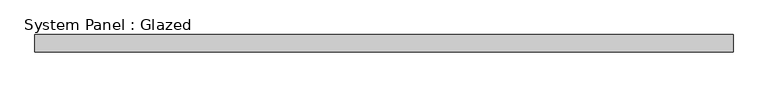
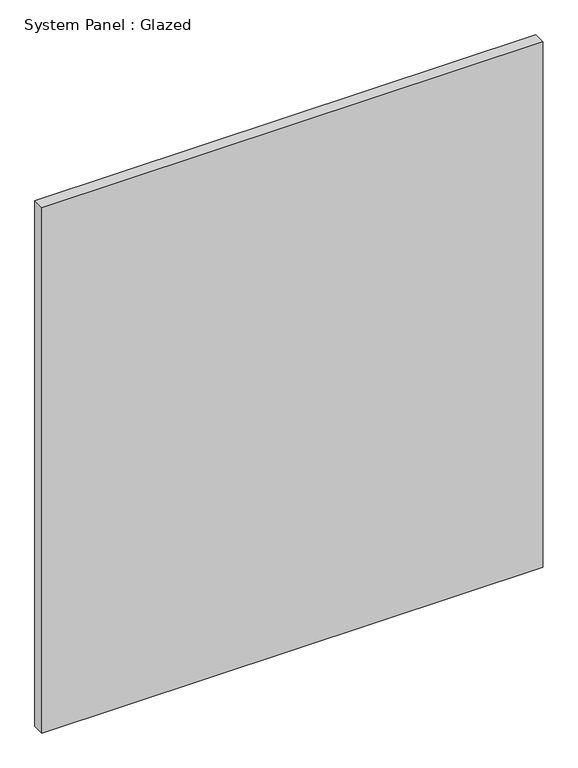
"""IFC4 building model written with IfcOpenShell, lengths in millimetres: plate geometry, System Panel : Glazed."""

from ifc_helpers import new_model, si_unit, origin, origin_with_axes, place, context, project, spatial, polyline, outline, extrude, source, transform, mapped, element, save


def system_panel_glazed_dcdd71fa(model_context):
    return source(origin(), model_context, "Body", "SweptSolid", [
        extrude(outline(polyline([(518.10746, -12.7), (-518.10746, -12.7), (-518.10746, 12.7), (518.10746, 12.7), (518.10746, -12.7)])), origin_with_axes(), (0.0, 0.0, 1.0), 1149.35),
    ])


if __name__ == "__main__":
    model = new_model("IFC4")
    model_context = context("Model", 3, world=origin())
    ifc_project = project(units=[si_unit("LENGTHUNIT", "METRE", prefix="MILLI")], contexts=[model_context])
    site = spatial("IfcSite", under=ifc_project)
    building = spatial("IfcBuilding", under=site)
    placement = place(None, origin())
    system_panel_glazed_shape = system_panel_glazed_dcdd71fa(model_context)
    element("IfcPlate", 1, ObjectType="System Panel : Glazed", at=placement, inside=building, context=model_context, shape_type="MappedRepresentation", body=[
        mapped(system_panel_glazed_shape, transform((0.0, 0.0, 0.0), x_axis=(1.0, 0.0, 0.0), y_axis=(0.0, 1.0, 0.0), z_axis=(0.0, 0.0, 1.0))),
    ])
    save(model, "model.ifc")
